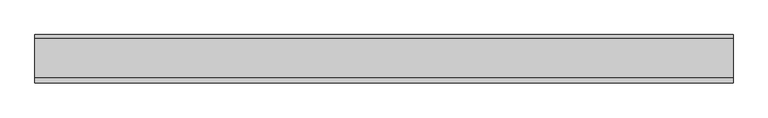
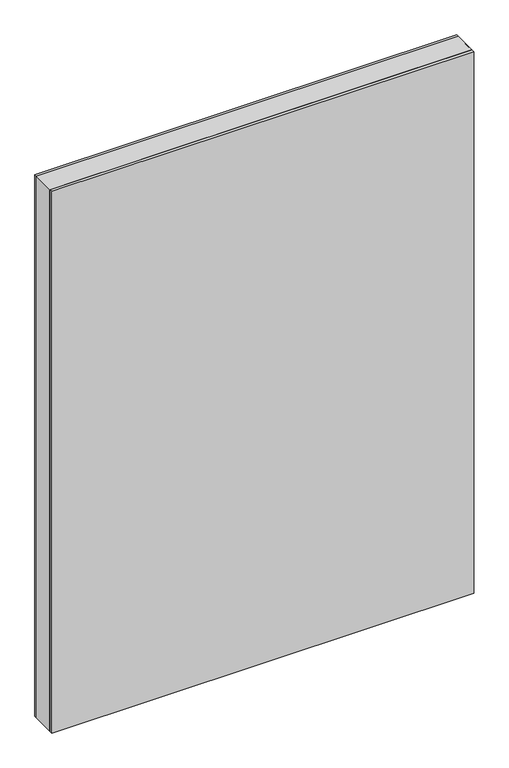
"""IFC4 building model written with IfcOpenShell, lengths in millimetres: plate geometry."""

from ifc_helpers import new_model, si_unit, frame, origin, origin_with_axes, place, context, project, spatial, polyline, outline, extrude, source, transform, mapped, element, save


def plate_ff6fedba(model_context):
    return source(origin(), model_context, "Body", "SweptSolid", [
        extrude(outline(polyline([(1464.75, -539.6875001), (0.0, -539.6875001), (0.0, 539.6875001), (1464.75, 539.6875001), (1464.75, -539.6875001)]), holes=[polyline([(1463.75, -538.6875001), (1463.75, 538.6875001), (1.0, 538.6875001), (1.0, -538.6875001), (1463.75, -538.6875001)])]), frame((0.0, -29.2, 0.0), z_axis=(0.0, 1.0, 0.0), x_axis=(0.0, 0.0, 1.0)), (0.0, 0.0, 1.0), 60.4),
        extrude(outline(polyline([(539.6875001, 31.2), (-539.6875001, 31.2), (-539.6875001, 37.2), (539.6875001, 37.2), (539.6875001, 31.2)])), origin_with_axes(), (0.0, 0.0, 1.0), 1464.75),
        extrude(outline(polyline([(-539.6875001, -37.2), (-539.6875001, -29.2), (539.6875001, -29.2), (539.6875001, -37.2), (-539.6875001, -37.2)])), origin_with_axes(), (0.0, 0.0, 1.0), 1464.75),
    ])


if __name__ == "__main__":
    model = new_model("IFC4")
    model_context = context("Model", 3, world=origin())
    ifc_project = project(units=[si_unit("LENGTHUNIT", "METRE", prefix="MILLI")], contexts=[model_context])
    site = spatial("IfcSite", under=ifc_project)
    building = spatial("IfcBuilding", under=site)
    placement = place(None, origin())
    plate_shape = plate_ff6fedba(model_context)
    element("IfcPlate", 1, at=placement, inside=building, context=model_context, shape_type="MappedRepresentation", body=[
        mapped(plate_shape, transform((0.0, 0.0, 0.0), x_axis=(1.0, 0.0, 0.0), y_axis=(0.0, 1.0, 0.0), z_axis=(0.0, 0.0, 1.0))),
    ])
    save(model, "model.ifc")
